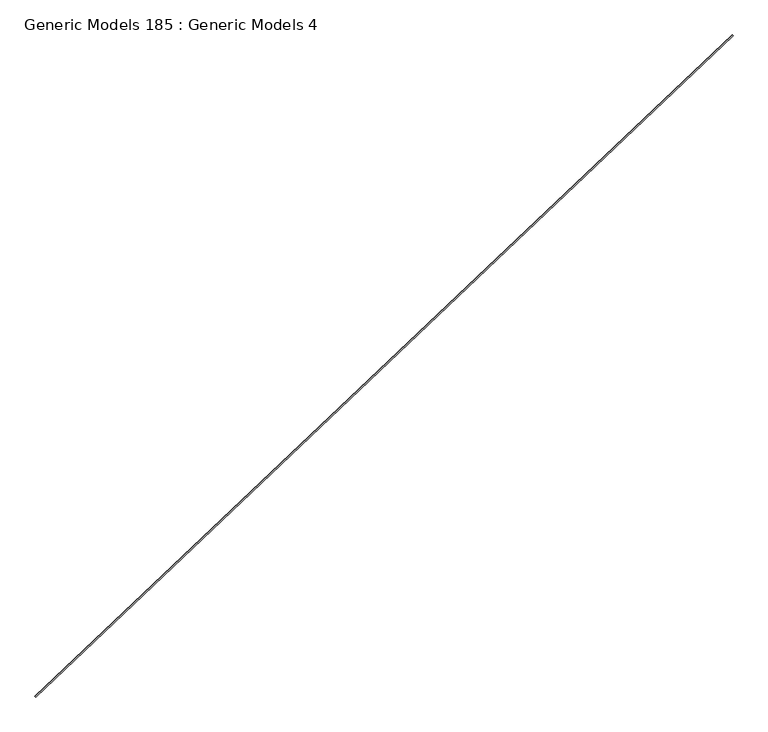
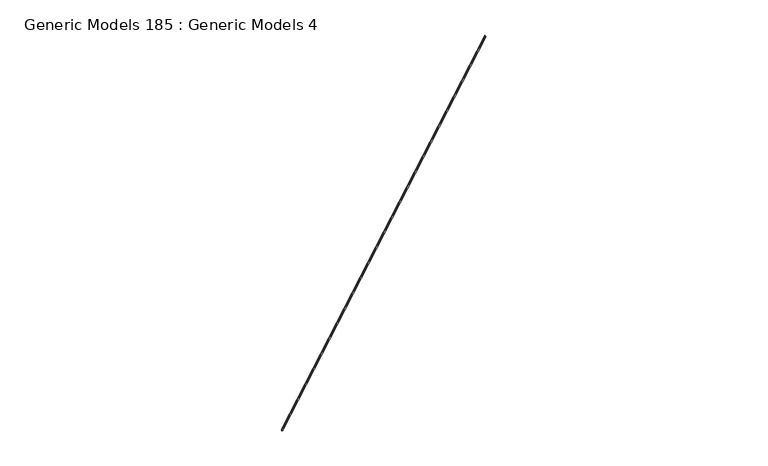
"""IFC4 building model written with IfcOpenShell, lengths in millimetres: proxy geometry, Generic Models 185 : Generic Models 4."""

import ifcopenshell
import ifcopenshell.guid

model = None  # the IFC model being written
_history = None  # IfcOwnerHistory: only IFC2X3 demands one
_inside = {}  # id of a spatial element -> (the spatial element, [elements in it])
_under = {}  # id of a project, library or spatial element -> (it, [spatial elements below it])
_declared = {}  # id of a project -> (the project, [libraries it declares])
_typed = {}  # id of a type object -> (the type object, [elements of that type])
_made_of = {}  # id of a material, layer set ... -> (it, [elements and type objects made of it])


def new_model(schema):
    """Start an empty IFC model of exactly this schema.

    Asked for "IFC4X3", IfcOpenShell would pick the latest addendum, in which some entities
    have other attributes; the version numbers below select the first issue.
    IFC2X3 requires an IfcOwnerHistory on every rooted entity: one is made here for all.
    """
    global model, _history
    if schema == "IFC4X3":
        model = ifcopenshell.file(schema_version=(4, 3, 0, 0))
    else:
        model = ifcopenshell.file(schema=schema)
    _inside.clear()
    _under.clear()
    _declared.clear()
    _typed.clear()
    _made_of.clear()
    _history = None
    if model.schema == "IFC2X3":
        org = make("IfcOrganization", Name="unknown")
        user = make(
            "IfcPersonAndOrganization",
            ThePerson=make("IfcPerson", FamilyName="unknown"),
            TheOrganization=org,
        )
        app = make(
            "IfcApplication",
            ApplicationDeveloper=org,
            Version="unknown",
            ApplicationFullName="unknown",
            ApplicationIdentifier="unknown",
        )
        _history = make(
            "IfcOwnerHistory",
            OwningUser=user,
            OwningApplication=app,
            ChangeAction="ADDED",
            CreationDate=0,
        )
    return model


def make(cls, **values):
    """One entity of the class cls with the attributes given. An attribute that is None is left unset."""
    return model.create_entity(
        cls, **{name: value for name, value in values.items() if value is not None}
    )


def rooted(cls, **values):
    """An entity with a GlobalId (a new one), such as an element, a storey or a relation."""
    return make(cls, GlobalId=ifcopenshell.guid.new(), OwnerHistory=_history, **values)


def si_unit(unit_type, name, prefix=None):
    """IfcSIUnit, for example si_unit("LENGTHUNIT", "METRE", prefix="MILLI")."""
    return make("IfcSIUnit", UnitType=unit_type, Prefix=prefix, Name=name)


def assignment(units):
    """IfcUnitAssignment: the units of a project."""
    return None if units is None else make("IfcUnitAssignment", Units=units)


def point(xyz):
    """IfcCartesianPoint."""
    return None if xyz is None else make("IfcCartesianPoint", Coordinates=xyz)


def direction(xyz):
    """IfcDirection."""
    return None if xyz is None else make("IfcDirection", DirectionRatios=xyz)


def frame(location, z_axis=None, x_axis=None):
    """IfcAxis2Placement3D, a coordinate frame: its origin and axes. An axis left out is left unset."""
    return make(
        "IfcAxis2Placement3D",
        Location=point(location),
        Axis=direction(z_axis),
        RefDirection=direction(x_axis),
    )


def origin():
    """The frame at (0, 0, 0) with its axes left unset."""
    return frame((0.0, 0.0, 0.0))


def place(relative_to, where):
    """IfcLocalPlacement: puts the frame where relative to a parent placement (None: the world)."""
    return make(
        "IfcLocalPlacement", PlacementRelTo=relative_to, RelativePlacement=where
    )


def context(
    kind, dimensions, precision=None, world=None, true_north=None, identifier=None
):
    """IfcGeometricRepresentationContext, for example the 3D "Model" context."""
    return make(
        "IfcGeometricRepresentationContext",
        ContextIdentifier=identifier,
        ContextType=kind,
        CoordinateSpaceDimension=dimensions,
        Precision=precision,
        WorldCoordinateSystem=world,
        TrueNorth=true_north,
    )


def project(units=None, contexts=None):
    """IfcProject with its units and contexts."""
    return rooted(
        "IfcProject",
        Name="project",
        RepresentationContexts=contexts,
        UnitsInContext=assignment(units),
    )


def spatial(cls, under=None, at=None, **own):
    """A site, building, storey or space (cls), placed at a placement, below another one or the project."""
    s = rooted(cls, ObjectPlacement=at, **own)
    if under is not None:
        _under.setdefault(under.id(), (under, []))[1].append(s)
    return s


def polyline(points):
    """IfcPolyline through the points."""
    return make("IfcPolyline", Points=[point(p) for p in points])


def outline(outer, holes=None, kind="AREA"):
    """IfcArbitraryClosedProfileDef: a profile drawn as a closed curve; with holes, ...WithVoids."""
    if holes is None:
        return make("IfcArbitraryClosedProfileDef", ProfileType=kind, OuterCurve=outer)
    return make(
        "IfcArbitraryProfileDefWithVoids",
        ProfileType=kind,
        OuterCurve=outer,
        InnerCurves=holes,
    )


def extrude(swept, where, along, depth):
    """IfcExtrudedAreaSolid: the profile swept, set in the frame where, extruded along a direction by depth."""
    return make(
        "IfcExtrudedAreaSolid",
        SweptArea=swept,
        Position=where,
        ExtrudedDirection=direction(along),
        Depth=depth,
    )


def shape(context_of_items, identifier, shape_type, items):
    """IfcShapeRepresentation: the items that make up one representation, for example the "Body"."""
    return make(
        "IfcShapeRepresentation",
        ContextOfItems=context_of_items,
        RepresentationIdentifier=identifier,
        RepresentationType=shape_type,
        Items=items,
    )


def source(mapping_origin, context_of_items, identifier, shape_type, items):
    """IfcRepresentationMap: a shape defined once, which mapped items show again and again."""
    return make(
        "IfcRepresentationMap",
        MappingOrigin=mapping_origin,
        MappedRepresentation=shape(context_of_items, identifier, shape_type, items),
    )


def transform(
    local_origin,
    x_axis=None,
    y_axis=None,
    z_axis=None,
    scale=None,
    scale2=None,
    scale3=None,
    uniform=True,
):
    """IfcCartesianTransformationOperator3D, or its non-uniform kind. x_axis, y_axis, z_axis: its Axis1, 2, 3."""
    if uniform:
        return make(
            "IfcCartesianTransformationOperator3D",
            Axis1=direction(x_axis),
            Axis2=direction(y_axis),
            LocalOrigin=point(local_origin),
            Scale=scale,
            Axis3=direction(z_axis),
        )
    return make(
        "IfcCartesianTransformationOperator3DnonUniform",
        Axis1=direction(x_axis),
        Axis2=direction(y_axis),
        LocalOrigin=point(local_origin),
        Scale=scale,
        Axis3=direction(z_axis),
        Scale2=scale2,
        Scale3=scale3,
    )


def mapped(mapping_source, mapping_target):
    """IfcMappedItem: shows the shape of a source again, moved by a transform."""
    return make(
        "IfcMappedItem", MappingSource=mapping_source, MappingTarget=mapping_target
    )


def made_of(thing, what):
    """Note that an element or type object is made of a material, layer set ...; save() writes the relation."""
    if what is not None:
        _made_of.setdefault(what.id(), (what, []))[1].append(thing)
    return thing


def element(
    cls,
    number,
    at=None,
    inside=None,
    cuts=None,
    type_object=None,
    material=None,
    context=None,
    identifier="Body",
    shape_type=None,
    held_by="IfcProductDefinitionShape",
    body=None,
    shapes=None,
    **own,
):
    """One element of the class cls, such as IfcWall. Its Tag is "e" and its number.

    at: its placement. inside: the storey or other place that contains it. cuts: it is an
    opening in that element (IfcRelVoidsElement). A single representation is given by context,
    identifier, shape_type and body (its items); several are given by shapes. held_by: the class
    of the entity that holds the representations. save() writes the other relations.
    """
    e = rooted(cls, Tag="e%d" % number, ObjectPlacement=at, **own)
    if body is not None:
        shapes = [shape(context, identifier, shape_type, body)]
    if shapes is not None:
        e.Representation = make(held_by, Representations=shapes)
    if inside is not None:
        _inside.setdefault(inside.id(), (inside, []))[1].append(e)
    if cuts is not None:
        rooted(
            "IfcRelVoidsElement", RelatingBuildingElement=cuts, RelatedOpeningElement=e
        )
    if type_object is not None:
        _typed.setdefault(type_object.id(), (type_object, []))[1].append(e)
    return made_of(e, material)


def aggregate(whole, parts):
    """IfcRelAggregates: a whole, such as a stair, and the parts it consists of."""
    return rooted("IfcRelAggregates", RelatingObject=whole, RelatedObjects=parts)


def save(model, path):
    """Write the relations noted so far, then the file.

    IfcRelAggregates (storeys below a building ...), IfcRelContainedInSpatialStructure (elements
    in a storey), IfcRelDefinesByType, IfcRelAssociatesMaterial and IfcRelDeclares: one each for
    every whole, place, type object, material and project.
    """
    for whole, parts in _under.values():
        aggregate(whole, parts)
    for where, things in _inside.values():
        rooted(
            "IfcRelContainedInSpatialStructure",
            RelatedElements=things,
            RelatingStructure=where,
        )
    for kind, things in _typed.values():
        rooted("IfcRelDefinesByType", RelatedObjects=things, RelatingType=kind)
    for what, things in _made_of.values():
        rooted("IfcRelAssociatesMaterial", RelatedObjects=things, RelatingMaterial=what)
    for by, libraries in _declared.values():
        rooted("IfcRelDeclares", RelatingContext=by, RelatedDefinitions=libraries)
    model.write(path)


def generic_models_185_generic_models_4_c5dbce4e(model_context):
    return source(origin(), model_context, "Body", "SweptSolid", [
        extrude(outline(polyline([(38.1, 0.0), (0.0, 0.0), (0.0, 25.4), (1.5875, 25.4), (1.5875, 1.5875), (38.1, 1.5875), (38.1, 0.0)])), frame((93739.5490535, 50967.0222613, 16515.08), z_axis=(0.725374371012385, 0.6883545756936514, 0.0), x_axis=(0.0, 0.0, 1.0)), (0.0, 0.0, 1.0), 17560.925),
    ])


if __name__ == "__main__":
    model = new_model("IFC4")
    model_context = context("Model", 3, world=origin())
    ifc_project = project(units=[si_unit("LENGTHUNIT", "METRE", prefix="MILLI")], contexts=[model_context])
    site = spatial("IfcSite", under=ifc_project)
    building = spatial("IfcBuilding", under=site)
    placement = place(None, origin())
    generic_models_185_generic_models_4_shape = generic_models_185_generic_models_4_c5dbce4e(model_context)
    element("IfcBuildingElementProxy", 1, Name="Generic Models 185 : Generic Models 4", ObjectType="Generic Models 185 : Generic Models 4", at=placement, inside=building, context=model_context, shape_type="MappedRepresentation", body=[
        mapped(generic_models_185_generic_models_4_shape, transform((0.0, 0.0, 0.0), x_axis=(1.0, 0.0, 0.0), y_axis=(0.0, 1.0, 0.0), z_axis=(0.0, 0.0, 1.0))),
    ])
    save(model, "model.ifc")
